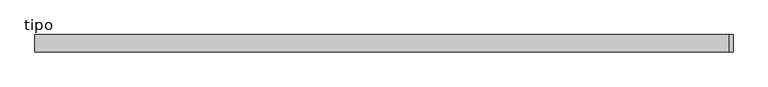
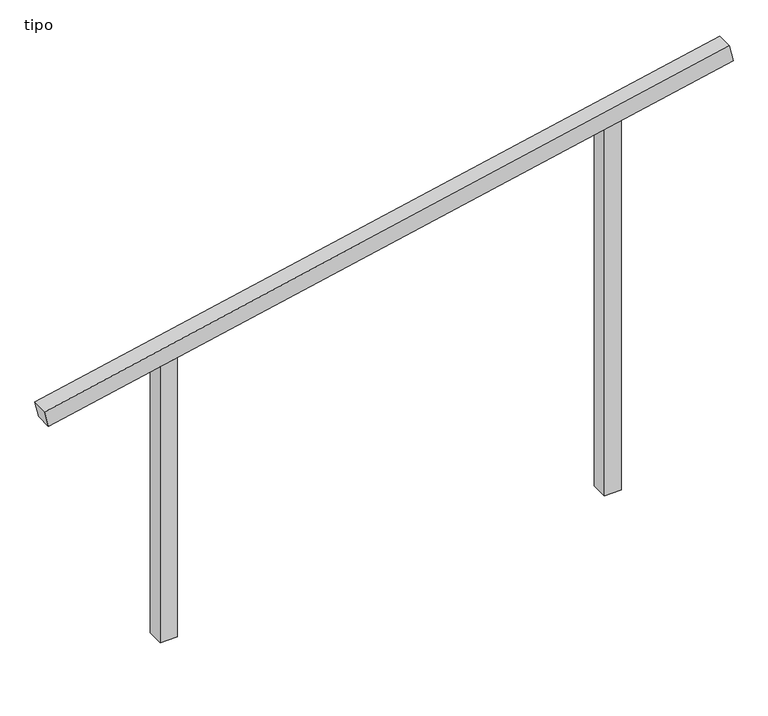
"""IFC4 building model written with IfcOpenShell, lengths in millimetres: proxy geometry, tipo."""

from ifc_helpers import new_model, si_unit, frame, origin, place, context, project, spatial, polyline, outline, extrude, source, transform, mapped, element, save


def tipo_a3f89800(model_context):
    return source(origin(), model_context, "Body", "SweptSolid", [
        extrude(outline(polyline([(0.0, -4099.9999999), (0.0, 0.0), (100.0, 0.0), (100.0, -4099.9999999), (0.0, -4099.9999999)])), frame((-2004.0642832, -100.0, 1568.46049), z_axis=(-0.21050707804546676, 0.0, 0.977592333282519), x_axis=(0.0, 1.0, 0.0)), (0.0, 0.0, 1.0), 100.0),
        extrude(outline(polyline([(2290.6984289, 1350.0), (2269.1652119, 1250.0), (0.0, 1250.0), (0.0, 1350.0), (2290.6984289, 1350.0)])), frame((0.0, -100.0, 0.0), z_axis=(0.0, 1.0, 0.0), x_axis=(0.0, 0.0, 1.0)), (0.0, 0.0, 1.0), 100.0),
        extrude(outline(polyline([(1709.3015711, -1350.0), (0.0, -1350.0), (0.0, -1250.0), (1730.8347881, -1250.0), (1709.3015711, -1350.0)])), frame((0.0, -100.0, 0.0), z_axis=(0.0, 1.0, 0.0), x_axis=(0.0, 0.0, 1.0)), (0.0, 0.0, 1.0), 100.0),
    ])


if __name__ == "__main__":
    model = new_model("IFC4")
    model_context = context("Model", 3, world=origin())
    ifc_project = project(units=[si_unit("LENGTHUNIT", "METRE", prefix="MILLI")], contexts=[model_context])
    site = spatial("IfcSite", under=ifc_project)
    building = spatial("IfcBuilding", under=site)
    placement = place(None, origin())
    tipo_shape = tipo_a3f89800(model_context)
    element("IfcBuildingElementProxy", 1, Name="tipo", ObjectType="tipo", at=placement, inside=building, context=model_context, shape_type="MappedRepresentation", body=[
        mapped(tipo_shape, transform((0.0, 0.0, 0.0), x_axis=(1.0, 0.0, 0.0), y_axis=(0.0, 1.0, 0.0), z_axis=(0.0, 0.0, 1.0))),
    ])
    save(model, "model.ifc")
